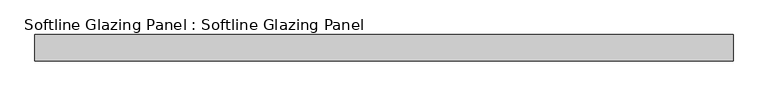
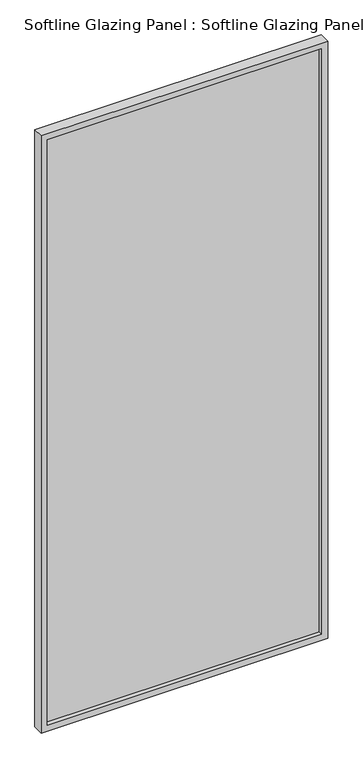
"""IFC4 building model written with IfcOpenShell, lengths in millimetres: plate geometry, Softline Glazing Panel : Softline Glazing Panel."""

import ifcopenshell
import ifcopenshell.guid

model = None  # the IFC model being written
_history = None  # IfcOwnerHistory: only IFC2X3 demands one
_inside = {}  # id of a spatial element -> (the spatial element, [elements in it])
_under = {}  # id of a project, library or spatial element -> (it, [spatial elements below it])
_declared = {}  # id of a project -> (the project, [libraries it declares])
_typed = {}  # id of a type object -> (the type object, [elements of that type])
_made_of = {}  # id of a material, layer set ... -> (it, [elements and type objects made of it])


def new_model(schema):
    """Start an empty IFC model of exactly this schema.

    Asked for "IFC4X3", IfcOpenShell would pick the latest addendum, in which some entities
    have other attributes; the version numbers below select the first issue.
    IFC2X3 requires an IfcOwnerHistory on every rooted entity: one is made here for all.
    """
    global model, _history
    if schema == "IFC4X3":
        model = ifcopenshell.file(schema_version=(4, 3, 0, 0))
    else:
        model = ifcopenshell.file(schema=schema)
    _inside.clear()
    _under.clear()
    _declared.clear()
    _typed.clear()
    _made_of.clear()
    _history = None
    if model.schema == "IFC2X3":
        org = make("IfcOrganization", Name="unknown")
        user = make(
            "IfcPersonAndOrganization",
            ThePerson=make("IfcPerson", FamilyName="unknown"),
            TheOrganization=org,
        )
        app = make(
            "IfcApplication",
            ApplicationDeveloper=org,
            Version="unknown",
            ApplicationFullName="unknown",
            ApplicationIdentifier="unknown",
        )
        _history = make(
            "IfcOwnerHistory",
            OwningUser=user,
            OwningApplication=app,
            ChangeAction="ADDED",
            CreationDate=0,
        )
    return model


def make(cls, **values):
    """One entity of the class cls with the attributes given. An attribute that is None is left unset."""
    return model.create_entity(
        cls, **{name: value for name, value in values.items() if value is not None}
    )


def rooted(cls, **values):
    """An entity with a GlobalId (a new one), such as an element, a storey or a relation."""
    return make(cls, GlobalId=ifcopenshell.guid.new(), OwnerHistory=_history, **values)


def si_unit(unit_type, name, prefix=None):
    """IfcSIUnit, for example si_unit("LENGTHUNIT", "METRE", prefix="MILLI")."""
    return make("IfcSIUnit", UnitType=unit_type, Prefix=prefix, Name=name)


def assignment(units):
    """IfcUnitAssignment: the units of a project."""
    return None if units is None else make("IfcUnitAssignment", Units=units)


def point(xyz):
    """IfcCartesianPoint."""
    return None if xyz is None else make("IfcCartesianPoint", Coordinates=xyz)


def direction(xyz):
    """IfcDirection."""
    return None if xyz is None else make("IfcDirection", DirectionRatios=xyz)


def frame(location, z_axis=None, x_axis=None):
    """IfcAxis2Placement3D, a coordinate frame: its origin and axes. An axis left out is left unset."""
    return make(
        "IfcAxis2Placement3D",
        Location=point(location),
        Axis=direction(z_axis),
        RefDirection=direction(x_axis),
    )


def origin():
    """The frame at (0, 0, 0) with its axes left unset."""
    return frame((0.0, 0.0, 0.0))


def place(relative_to, where):
    """IfcLocalPlacement: puts the frame where relative to a parent placement (None: the world)."""
    return make(
        "IfcLocalPlacement", PlacementRelTo=relative_to, RelativePlacement=where
    )


def context(
    kind, dimensions, precision=None, world=None, true_north=None, identifier=None
):
    """IfcGeometricRepresentationContext, for example the 3D "Model" context."""
    return make(
        "IfcGeometricRepresentationContext",
        ContextIdentifier=identifier,
        ContextType=kind,
        CoordinateSpaceDimension=dimensions,
        Precision=precision,
        WorldCoordinateSystem=world,
        TrueNorth=true_north,
    )


def project(units=None, contexts=None):
    """IfcProject with its units and contexts."""
    return rooted(
        "IfcProject",
        Name="project",
        RepresentationContexts=contexts,
        UnitsInContext=assignment(units),
    )


def spatial(cls, under=None, at=None, **own):
    """A site, building, storey or space (cls), placed at a placement, below another one or the project."""
    s = rooted(cls, ObjectPlacement=at, **own)
    if under is not None:
        _under.setdefault(under.id(), (under, []))[1].append(s)
    return s


def polyline(points):
    """IfcPolyline through the points."""
    return make("IfcPolyline", Points=[point(p) for p in points])


def outline(outer, holes=None, kind="AREA"):
    """IfcArbitraryClosedProfileDef: a profile drawn as a closed curve; with holes, ...WithVoids."""
    if holes is None:
        return make("IfcArbitraryClosedProfileDef", ProfileType=kind, OuterCurve=outer)
    return make(
        "IfcArbitraryProfileDefWithVoids",
        ProfileType=kind,
        OuterCurve=outer,
        InnerCurves=holes,
    )


def extrude(swept, where, along, depth):
    """IfcExtrudedAreaSolid: the profile swept, set in the frame where, extruded along a direction by depth."""
    return make(
        "IfcExtrudedAreaSolid",
        SweptArea=swept,
        Position=where,
        ExtrudedDirection=direction(along),
        Depth=depth,
    )


def faces_of(points, faces, orient=None, outer=None):
    """IfcFace entities. A face is a list of loops; a loop is a list of indices into points, from 0.

    orient and outer hold one flag for each loop. By default every Orientation is true, the
    first loop of a face is its IfcFaceOuterBound and the others are IfcFaceBound.
    """
    made = []
    for i, loops in enumerate(faces):
        bounds = []
        for j, loop in enumerate(loops):
            is_outer = j == 0 if outer is None else outer[i][j]
            bounds.append(
                make(
                    "IfcFaceOuterBound" if is_outer else "IfcFaceBound",
                    Bound=make("IfcPolyLoop", Polygon=[points[k] for k in loop]),
                    Orientation=True if orient is None else orient[i][j],
                )
            )
        made.append(make("IfcFace", Bounds=bounds))
    return made


def faceted_brep(points, faces, orient=None, outer=None, voids=None):
    """IfcFacetedBrep: a solid bounded by flat faces; with voids (closed shells), ...WithVoids."""
    shared = [point(p) for p in points]
    hull = make("IfcClosedShell", CfsFaces=faces_of(shared, faces, orient, outer))
    if voids is None:
        return make("IfcFacetedBrep", Outer=hull)
    return make(
        "IfcFacetedBrepWithVoids",
        Outer=hull,
        Voids=[
            make(cls, CfsFaces=faces_of(shared, fs, o, b)) for cls, fs, o, b in voids
        ],
    )


def shape(context_of_items, identifier, shape_type, items):
    """IfcShapeRepresentation: the items that make up one representation, for example the "Body"."""
    return make(
        "IfcShapeRepresentation",
        ContextOfItems=context_of_items,
        RepresentationIdentifier=identifier,
        RepresentationType=shape_type,
        Items=items,
    )


def source(mapping_origin, context_of_items, identifier, shape_type, items):
    """IfcRepresentationMap: a shape defined once, which mapped items show again and again."""
    return make(
        "IfcRepresentationMap",
        MappingOrigin=mapping_origin,
        MappedRepresentation=shape(context_of_items, identifier, shape_type, items),
    )


def transform(
    local_origin,
    x_axis=None,
    y_axis=None,
    z_axis=None,
    scale=None,
    scale2=None,
    scale3=None,
    uniform=True,
):
    """IfcCartesianTransformationOperator3D, or its non-uniform kind. x_axis, y_axis, z_axis: its Axis1, 2, 3."""
    if uniform:
        return make(
            "IfcCartesianTransformationOperator3D",
            Axis1=direction(x_axis),
            Axis2=direction(y_axis),
            LocalOrigin=point(local_origin),
            Scale=scale,
            Axis3=direction(z_axis),
        )
    return make(
        "IfcCartesianTransformationOperator3DnonUniform",
        Axis1=direction(x_axis),
        Axis2=direction(y_axis),
        LocalOrigin=point(local_origin),
        Scale=scale,
        Axis3=direction(z_axis),
        Scale2=scale2,
        Scale3=scale3,
    )


def mapped(mapping_source, mapping_target):
    """IfcMappedItem: shows the shape of a source again, moved by a transform."""
    return make(
        "IfcMappedItem", MappingSource=mapping_source, MappingTarget=mapping_target
    )


def made_of(thing, what):
    """Note that an element or type object is made of a material, layer set ...; save() writes the relation."""
    if what is not None:
        _made_of.setdefault(what.id(), (what, []))[1].append(thing)
    return thing


def element(
    cls,
    number,
    at=None,
    inside=None,
    cuts=None,
    type_object=None,
    material=None,
    context=None,
    identifier="Body",
    shape_type=None,
    held_by="IfcProductDefinitionShape",
    body=None,
    shapes=None,
    **own,
):
    """One element of the class cls, such as IfcWall. Its Tag is "e" and its number.

    at: its placement. inside: the storey or other place that contains it. cuts: it is an
    opening in that element (IfcRelVoidsElement). A single representation is given by context,
    identifier, shape_type and body (its items); several are given by shapes. held_by: the class
    of the entity that holds the representations. save() writes the other relations.
    """
    e = rooted(cls, Tag="e%d" % number, ObjectPlacement=at, **own)
    if body is not None:
        shapes = [shape(context, identifier, shape_type, body)]
    if shapes is not None:
        e.Representation = make(held_by, Representations=shapes)
    if inside is not None:
        _inside.setdefault(inside.id(), (inside, []))[1].append(e)
    if cuts is not None:
        rooted(
            "IfcRelVoidsElement", RelatingBuildingElement=cuts, RelatedOpeningElement=e
        )
    if type_object is not None:
        _typed.setdefault(type_object.id(), (type_object, []))[1].append(e)
    return made_of(e, material)


def aggregate(whole, parts):
    """IfcRelAggregates: a whole, such as a stair, and the parts it consists of."""
    return rooted("IfcRelAggregates", RelatingObject=whole, RelatedObjects=parts)


def save(model, path):
    """Write the relations noted so far, then the file.

    IfcRelAggregates (storeys below a building ...), IfcRelContainedInSpatialStructure (elements
    in a storey), IfcRelDefinesByType, IfcRelAssociatesMaterial and IfcRelDeclares: one each for
    every whole, place, type object, material and project.
    """
    for whole, parts in _under.values():
        aggregate(whole, parts)
    for where, things in _inside.values():
        rooted(
            "IfcRelContainedInSpatialStructure",
            RelatedElements=things,
            RelatingStructure=where,
        )
    for kind, things in _typed.values():
        rooted("IfcRelDefinesByType", RelatedObjects=things, RelatingType=kind)
    for what, things in _made_of.values():
        rooted("IfcRelAssociatesMaterial", RelatedObjects=things, RelatingMaterial=what)
    for by, libraries in _declared.values():
        rooted("IfcRelDeclares", RelatingContext=by, RelatedDefinitions=libraries)
    model.write(path)


def softline_glazing_panel_softline_glazing_panel_b4726048(model_context):
    return source(origin(), model_context, "Body", "SolidModel", [
        extrude(outline(polyline([(584.0, 4.0), (584.0, -4.0), (-584.0, -4.0), (-584.0, 4.0), (584.0, 4.0)])), frame((0.0, 0.0, 16.0), z_axis=(0.0, 0.0, 1.0), x_axis=(1.0, 0.0, 0.0)), (0.0, 0.0, 1.0), 2612.0),
        faceted_brep([(574.0, 4.0, 26.0), (574.0, 22.5, 26.0), (-574.0, 22.5, 26.0), (-574.0, 4.0, 26.0), (584.0, -4.0, 16.0), (584.0, 4.0, 16.0), (-584.0, 4.0, 16.0), (-584.0, -4.0, 16.0), (574.0, -22.5, 26.0), (574.0, -4.0, 26.0), (-574.0, -4.0, 26.0), (-574.0, -22.5, 26.0), (600.0, 22.5, 0.0), (600.0, -22.5, 0.0), (-600.0, -22.5, 0.0), (-600.0, 22.5, 0.0), (-574.0, 22.5, 2618.0), (-574.0, 4.0, 2618.0), (-584.0, 4.0, 2628.0), (-584.0, -4.0, 2628.0), (-574.0, -4.0, 2618.0), (-574.0, -22.5, 2618.0), (-600.0, -22.5, 2644.0), (-600.0, 22.5, 2644.0), (574.0, 22.5, 2618.0), (574.0, 4.0, 2618.0), (584.0, 4.0, 2628.0), (584.0, -4.0, 2628.0), (574.0, -4.0, 2618.0), (574.0, -22.5, 2618.0), (600.0, -22.5, 2644.0), (600.0, 22.5, 2644.0)], [[[0, 1, 2, 3]], [[4, 5, 6, 7]], [[8, 9, 10, 11]], [[12, 13, 14, 15]], [[3, 2, 16, 17]], [[7, 6, 18, 19]], [[11, 10, 20, 21]], [[15, 14, 22, 23]], [[17, 16, 24, 25]], [[19, 18, 26, 27]], [[21, 20, 28, 29]], [[23, 22, 30, 31]], [[15, 23, 31, 12], [1, 24, 16, 2]], [[25, 24, 1, 0]], [[5, 26, 18, 6], [3, 17, 25, 0]], [[27, 26, 5, 4]], [[7, 19, 27, 4], [9, 28, 20, 10]], [[29, 28, 9, 8]], [[13, 30, 22, 14], [11, 21, 29, 8]], [[31, 30, 13, 12]]]),
    ])


if __name__ == "__main__":
    model = new_model("IFC4")
    model_context = context("Model", 3, world=origin())
    ifc_project = project(units=[si_unit("LENGTHUNIT", "METRE", prefix="MILLI")], contexts=[model_context])
    site = spatial("IfcSite", under=ifc_project)
    building = spatial("IfcBuilding", under=site)
    placement = place(None, origin())
    softline_glazing_panel_softline_glazing_panel_shape = softline_glazing_panel_softline_glazing_panel_b4726048(model_context)
    element("IfcPlate", 1, ObjectType="Softline Glazing Panel : Softline Glazing Panel", at=placement, inside=building, context=model_context, shape_type="MappedRepresentation", body=[
        mapped(softline_glazing_panel_softline_glazing_panel_shape, transform((0.0, 0.0, 0.0), x_axis=(1.0, 0.0, 0.0), y_axis=(0.0, 1.0, 0.0), z_axis=(0.0, 0.0, 1.0))),
    ])
    save(model, "model.ifc")
